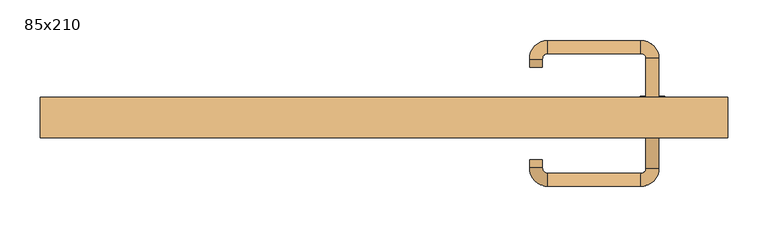
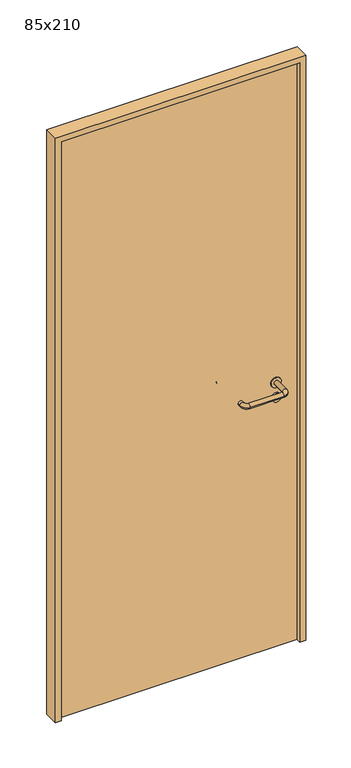
"""IFC4 building model written with IfcOpenShell, lengths in millimetres: door geometry, 85x210."""

from ifc_helpers import new_model, si_unit, point, frame, frame_2d, origin, origin_with_axes, place, context, project, spatial, polyline, circle_curve, ellipse_curve, trimmed, segment, composite_curve, outline, extrude, source, transform, mapped, element, save
from ifc_brep_helpers import plane_surface, cylinder_surface, revolved_surface, advanced_brep


def door_85x210_690344d6(model_context):
    return source(origin(), model_context, "Body", "SolidModel", [
        extrude(outline(composite_curve([segment(trimmed(circle_curve(frame_2d((897.3605726, 332.0)), 15.0), [point((897.3605726, 347.0))], [point((897.3605726, 317.0))], False, "CARTESIAN"), True, "CONTINUOUS"), segment(trimmed(circle_curve(frame_2d((897.3605726, 332.0)), 15.0), [point((897.3605726, 317.0))], [point((897.3605726, 347.0))], False, "CARTESIAN"), True, "CONTINUOUS")], self_intersect=False), holes=[composite_curve([segment(trimmed(circle_curve(frame_2d((892.5833211, 331.9398032)), 2.0), [point((892.5833211, 333.9398032))], [point((892.5833211, 329.9398032))], True, "CARTESIAN"), True, "CONTINUOUS"), segment(polyline([(892.5833211, 329.9398032), (902.5833211, 329.9398032)]), True, "CONTINUOUS"), segment(trimmed(circle_curve(frame_2d((902.5833211, 331.9398032)), 2.0), [point((902.5833211, 329.9398032))], [point((902.5833211, 333.9398032))], True, "CARTESIAN"), True, "CONTINUOUS"), segment(polyline([(902.5833211, 333.9398032), (892.5833211, 333.9398032)]), True, "CONTINUOUS")], self_intersect=False)]), frame((0.0, 8.65, 0.0), z_axis=(0.0, 1.0, 0.0), x_axis=(0.0, 0.0, 1.0)), (0.0, 0.0, 1.0), 6.35),
        extrude(outline(composite_curve([segment(trimmed(circle_curve(frame_2d((950.0, 332.0)), 17.526), [point((950.0, 349.526))], [point((950.0, 314.474))], False, "CARTESIAN"), True, "CONTINUOUS"), segment(trimmed(circle_curve(frame_2d((950.0, 332.0)), 17.526), [point((950.0, 314.474))], [point((950.0, 349.526))], False, "CARTESIAN"), True, "CONTINUOUS")], self_intersect=False)), frame((0.0, 11.825, 0.0), z_axis=(0.0, 1.0, 0.0), x_axis=(0.0, 0.0, 1.0)), (0.0, 0.0, 1.0), 3.175),
        advanced_brep(
        [(340.0, 15.0, 950.0), (324.0, 15.0, 950.0), (324.0, -38.0, 950.0), (340.0, -38.0, 950.0), (317.8578644, -44.1421356, 950.0), (317.8578644, -60.1421356, 950.0), (202.8578644, -44.1421356, 950.0), (202.8578644, -60.1421356, 950.0), (196.008622, -37.2928932, 950.0), (180.008622, -37.2928932, 950.0), (180.008622, -27.2928932, 950.0), (196.008622, -27.2928932, 950.0)],
        [
            (0, 1, circle_curve(frame((332.0, 15.0, 950.0), z_axis=(0.0, 1.0, 0.0), x_axis=(-1.0, 0.0, 0.0)), 8.0)),
            (1, 0, circle_curve(frame((332.0, 15.0, 950.0), z_axis=(0.0, 1.0, 0.0), x_axis=(-1.0, 0.0, 0.0)), 8.0)),
            (1, 2),
            (2, 3, circle_curve(frame((332.0, -38.0, 950.0), z_axis=(0.0, 1.0, 0.0), x_axis=(-1.0, 0.0, 0.0)), 8.0)),
            (3, 0),
            (3, 2, circle_curve(frame((332.0, -38.0, 950.0), z_axis=(0.0, 1.0, 0.0), x_axis=(-1.0, 0.0, 0.0)), 8.0)),
            (4, 5, circle_curve(frame((317.8578644, -52.1421356, 950.0), z_axis=(1.0, 0.0, 0.0), x_axis=(0.0, 1.0, 0.0)), 8.0)),
            (5, 3, circle_curve(frame((317.8578644, -38.0, 950.0), z_axis=(0.0, 0.0, 1.0), x_axis=(1.0, 0.0, 0.0)), 22.1421356)),
            (2, 4, circle_curve(frame((317.8578644, -38.0, 950.0), z_axis=(0.0, 0.0, -1.0), x_axis=(1.0, 0.0, 0.0)), 6.1421356)),
            (5, 4, circle_curve(frame((317.8578644, -52.1421356, 950.0), z_axis=(1.0, 0.0, 0.0), x_axis=(0.0, 1.0, 0.0)), 8.0)),
            (4, 6),
            (6, 7, circle_curve(frame((202.8578644, -52.1421356, 950.0), z_axis=(1.0, 0.0, 0.0), x_axis=(0.0, 1.0, 0.0)), 8.0)),
            (7, 5),
            (7, 6, circle_curve(frame((202.8578644, -52.1421356, 950.0), z_axis=(1.0, 0.0, 0.0), x_axis=(0.0, 1.0, 0.0)), 8.0)),
            (8, 9, circle_curve(frame((188.008622, -37.2928932, 950.0), z_axis=(0.0, -1.0, 0.0), x_axis=(1.0, 0.0, 0.0)), 8.0)),
            (9, 7, circle_curve(frame((202.8578644, -37.2928932, 950.0), z_axis=(0.0, 0.0, 1.0), x_axis=(0.0, -1.0, 0.0)), 22.8492424)),
            (6, 8, circle_curve(frame((202.8578644, -37.2928932, 950.0), z_axis=(0.0, 0.0, -1.0), x_axis=(0.0, -1.0, 0.0)), 6.8492424)),
            (9, 8, circle_curve(frame((188.008622, -37.2928932, 950.0), z_axis=(0.0, -1.0, 0.0), x_axis=(1.0, 0.0, 0.0)), 8.0)),
            (10, 11, circle_curve(frame((188.008622, -27.2928932, 950.0), z_axis=(0.0, 1.0, 0.0), x_axis=(1.0, 0.0, 0.0)), 8.0)),
            (11, 10, circle_curve(frame((188.008622, -27.2928932, 950.0), z_axis=(0.0, 1.0, 0.0), x_axis=(1.0, 0.0, 0.0)), 8.0)),
            (8, 11),
            (10, 9),
        ],
        [
            plane_surface(frame((332.0, 15.0, 0.0), z_axis=(0.0, 1.0, 0.0), x_axis=(0.0, 0.0, 1.0))),
            cylinder_surface(frame((332.0, 15.0, 950.0), z_axis=(0.0, 1.0, 0.0), x_axis=(-1.0, 0.0, 0.0)), 8.0),
            revolved_surface(trimmed(ellipse_curve(frame((332.0, -38.0, 950.0), z_axis=(0.0, -1.0, 0.0), x_axis=(-1.0, 0.0, 0.0)), 8.0, 8.0), [point((340.0, -38.0, 950.0))], [point((324.0, -38.0, 950.0))], True, "CARTESIAN"), (317.8578644, -38.0, 0.0), (0.0, 0.0, 1.0)),
            revolved_surface(trimmed(ellipse_curve(frame((332.0, -38.0, 950.0), z_axis=(0.0, -1.0, 0.0), x_axis=(-1.0, 0.0, 0.0)), 8.0, 8.0), [point((324.0, -38.0, 950.0))], [point((340.0, -38.0, 950.0))], True, "CARTESIAN"), (317.8578644, -38.0, 0.0), (0.0, 0.0, 1.0)),
            cylinder_surface(frame((317.8578644, -52.1421356, 950.0), z_axis=(1.0, 0.0, 0.0), x_axis=(0.0, 1.0, 0.0)), 8.0),
            revolved_surface(trimmed(ellipse_curve(frame((202.8578644, -52.1421356, 950.0), z_axis=(-1.0, 0.0, 0.0), x_axis=(0.0, 1.0, 0.0)), 8.0, 8.0), [point((202.8578644, -60.1421356, 950.0))], [point((202.8578644, -44.1421356, 950.0))], True, "CARTESIAN"), (202.8578644, -37.2928932, 0.0), (0.0, 0.0, 1.0)),
            revolved_surface(trimmed(ellipse_curve(frame((202.8578644, -52.1421356, 950.0), z_axis=(-1.0, 0.0, 0.0), x_axis=(0.0, 1.0, 0.0)), 8.0, 8.0), [point((202.8578644, -44.1421356, 950.0))], [point((202.8578644, -60.1421356, 950.0))], True, "CARTESIAN"), (202.8578644, -37.2928932, 0.0), (0.0, 0.0, 1.0)),
            plane_surface(frame((188.008622, -27.2928932, 0.0), z_axis=(0.0, 1.0, 0.0), x_axis=(0.0, 0.0, 1.0))),
            cylinder_surface(frame((188.008622, -37.2928932, 950.0), z_axis=(0.0, -1.0, 0.0), x_axis=(1.0, 0.0, 0.0)), 8.0),
        ],
        [
            (0, [[1, 2]]),
            (1, [[3, 4, 5, -2]]),
            (1, [[-5, 6, -3, -1]]),
            (2, [[7, 8, -4, 9]]),
            (3, [[10, -9, -6, -8]]),
            (4, [[11, 12, 13, -7]]),
            (4, [[-13, 14, -11, -10]]),
            (5, [[15, 16, -12, 17]]),
            (6, [[18, -17, -14, -16]]),
            (7, [[19, 20]]),
            (8, [[21, -19, 22, -15]]),
            (8, [[-22, -20, -21, -18]]),
        ],
    ),
        extrude(outline(composite_curve([segment(trimmed(circle_curve(frame_2d((0.0, -15.0)), 15.0), [point((0.0, -30.0))], [point((0.0, 0.0))], False, "CARTESIAN"), True, "CONTINUOUS"), segment(trimmed(circle_curve(frame_2d((0.0, -15.0)), 15.0), [point((0.0, 0.0))], [point((0.0, -30.0))], False, "CARTESIAN"), True, "CONTINUOUS")], self_intersect=False), holes=[composite_curve([segment(trimmed(circle_curve(frame_2d((4.7772515, -14.9398032)), 2.0), [point((4.7772515, -16.9398032))], [point((4.7772515, -12.9398032))], True, "CARTESIAN"), True, "CONTINUOUS"), segment(polyline([(4.7772515, -12.9398032), (-5.2227485, -12.9398032)]), True, "CONTINUOUS"), segment(trimmed(circle_curve(frame_2d((-5.2227485, -14.9398032)), 2.0), [point((-5.2227485, -12.9398032))], [point((-5.2227485, -16.9398032))], True, "CARTESIAN"), True, "CONTINUOUS"), segment(polyline([(-5.2227485, -16.9398032), (4.7772515, -16.9398032)]), True, "CONTINUOUS")], self_intersect=False)]), frame((317.0, 45.0, 897.3605726), z_axis=(1.8870575173328306e-12, 1.0, 0.0), x_axis=(0.0, 0.0, -1.0)), (0.0, 0.0, 1.0), 6.35),
        extrude(outline(composite_curve([segment(trimmed(circle_curve(frame_2d((0.0, -17.526)), 17.526), [point((0.0, -35.052))], [point((0.0, 0.0))], False, "CARTESIAN"), True, "CONTINUOUS"), segment(trimmed(circle_curve(frame_2d((0.0, -17.526)), 17.526), [point((0.0, 0.0))], [point((0.0, -35.052))], False, "CARTESIAN"), True, "CONTINUOUS")], self_intersect=False)), frame((314.474, 45.0, 950.0), z_axis=(1.8870575173328306e-12, 1.0, 0.0), x_axis=(0.0, 0.0, -1.0)), (0.0, 0.0, 1.0), 3.175),
        advanced_brep(
        [(340.0, 45.0, 950.0), (324.0, 45.0, 950.0), (340.0, 98.0, 950.0), (324.0, 98.0, 950.0), (317.8578644, 104.1421356, 950.0), (317.8578644, 120.1421356, 950.0), (202.8578644, 120.1421356, 950.0), (202.8578644, 104.1421356, 950.0), (196.008622, 97.2928932, 950.0), (180.008622, 97.2928932, 950.0), (180.008622, 87.2928932, 950.0), (196.008622, 87.2928932, 950.0)],
        [
            (0, 1, circle_curve(frame((332.0, 45.0, 950.0), z_axis=(-1.888672253512351e-12, -1.0, 0.0), x_axis=(-1.0, 1.888672253512351e-12, 0.0)), 8.0)),
            (1, 0, circle_curve(frame((332.0, 45.0, 950.0), z_axis=(-1.888672253512351e-12, -1.0, 0.0), x_axis=(-1.0, 1.888672253512351e-12, 0.0)), 8.0)),
            (0, 2),
            (2, 3, circle_curve(frame((332.0, 98.0, 950.0), z_axis=(-1.888672253512351e-12, -1.0, 0.0), x_axis=(-1.0, 1.888672253512351e-12, 0.0)), 8.0)),
            (3, 1),
            (3, 2, circle_curve(frame((332.0, 98.0, 950.0), z_axis=(-1.888672253512351e-12, -1.0, 0.0), x_axis=(-1.0, 1.888672253512351e-12, 0.0)), 8.0)),
            (4, 3, circle_curve(frame((317.8578644, 98.0, 950.0), z_axis=(0.0, 0.0, -1.0), x_axis=(1.0, -1.880717803715015e-12, 0.0)), 6.1421356)),
            (2, 5, circle_curve(frame((317.8578644, 98.0, 950.0), z_axis=(0.0, 0.0, 1.0), x_axis=(1.0, -1.880717803715015e-12, 0.0)), 22.1421356)),
            (5, 4, circle_curve(frame((317.8578644, 112.1421356, 950.0), z_axis=(1.0, -1.913702061528922e-12, 0.0), x_axis=(-1.913702061528922e-12, -1.0, 0.0)), 8.0)),
            (4, 5, circle_curve(frame((317.8578644, 112.1421356, 950.0), z_axis=(1.0, -1.913702061528922e-12, 0.0), x_axis=(-1.913702061528922e-12, -1.0, 0.0)), 8.0)),
            (5, 6),
            (6, 7, circle_curve(frame((202.8578644, 112.1421356, 950.0), z_axis=(1.0, -1.913719828541269e-12, 0.0), x_axis=(-1.913719828541269e-12, -1.0, 0.0)), 8.0)),
            (7, 4),
            (7, 6, circle_curve(frame((202.8578644, 112.1421356, 950.0), z_axis=(1.0, -1.913719828541269e-12, 0.0), x_axis=(-1.913719828541269e-12, -1.0, 0.0)), 8.0)),
            (8, 7, circle_curve(frame((202.8578644, 97.2928932, 950.0), z_axis=(0.0, 0.0, -1.0), x_axis=(1.9120873253494017e-12, 1.0, 0.0)), 6.8492424)),
            (6, 9, circle_curve(frame((202.8578644, 97.2928932, 950.0), z_axis=(0.0, 0.0, 1.0), x_axis=(1.9120873253494017e-12, 1.0, 0.0)), 22.8492424)),
            (9, 8, circle_curve(frame((188.008622, 97.2928932, 950.0), z_axis=(1.890448610351751e-12, 1.0, 0.0), x_axis=(1.0, -1.890448610351751e-12, 0.0)), 8.0)),
            (8, 9, circle_curve(frame((188.008622, 97.2928932, 950.0), z_axis=(1.8888942981172756e-12, 1.0, 0.0), x_axis=(1.0, -1.8888942981172756e-12, 0.0)), 8.0)),
            (10, 11, circle_curve(frame((188.008622, 87.2928932, 950.0), z_axis=(-1.8903642334018795e-12, -1.0, 0.0), x_axis=(1.0, -1.8903642334018795e-12, 0.0)), 8.0)),
            (11, 10, circle_curve(frame((188.008622, 87.2928932, 950.0), z_axis=(-1.8903642334018795e-12, -1.0, 0.0), x_axis=(1.0, -1.8903642334018795e-12, 0.0)), 8.0)),
            (9, 10),
            (11, 8),
        ],
        [
            plane_surface(frame((332.0, 45.0, 0.0), z_axis=(-1.8870575173328306e-12, -1.0, 0.0), x_axis=(0.0, 0.0, 1.0))),
            cylinder_surface(frame((332.0, 45.0, 950.0), z_axis=(-1.888672253512351e-12, -1.0, 0.0), x_axis=(-1.0, 1.888672253512351e-12, 0.0)), 8.0),
            revolved_surface(trimmed(ellipse_curve(frame((332.0, 98.0, 950.0), z_axis=(-1.8823325398945356e-12, -1.0, 0.0), x_axis=(-1.0, 1.8823325398945356e-12, 0.0)), 8.0, 8.0), [point((340.0, 98.0, 950.0))], [point((324.0, 98.0, 950.0))], True, "CARTESIAN"), (317.8578644, 98.0, 0.0), (0.0, 0.0, 1.0)),
            revolved_surface(trimmed(ellipse_curve(frame((332.0, 98.0, 950.0), z_axis=(-1.8823325398945356e-12, -1.0, 0.0), x_axis=(-1.0, 1.8823325398945356e-12, 0.0)), 8.0, 8.0), [point((324.0, 98.0, 950.0))], [point((340.0, 98.0, 950.0))], True, "CARTESIAN"), (317.8578644, 98.0, 0.0), (0.0, 0.0, 1.0)),
            cylinder_surface(frame((317.8578644, 112.1421356, 950.0), z_axis=(1.0, -1.913719828541269e-12, 0.0), x_axis=(-1.913719828541269e-12, -1.0, 0.0)), 8.0),
            revolved_surface(trimmed(ellipse_curve(frame((202.8578644, 112.1421356, 950.0), z_axis=(1.0, -1.913702061528922e-12, 0.0), x_axis=(-1.913702061528922e-12, -1.0, 0.0)), 8.0, 8.0), [point((202.8578644, 120.1421356, 950.0))], [point((202.8578644, 104.1421356, 950.0))], True, "CARTESIAN"), (202.8578644, 97.2928932, 0.0), (0.0, 0.0, 1.0)),
            revolved_surface(trimmed(ellipse_curve(frame((202.8578644, 112.1421356, 950.0), z_axis=(1.0, -1.913702061528922e-12, 0.0), x_axis=(-1.913702061528922e-12, -1.0, 0.0)), 8.0, 8.0), [point((202.8578644, 104.1421356, 950.0))], [point((202.8578644, 120.1421356, 950.0))], True, "CARTESIAN"), (202.8578644, 97.2928932, 0.0), (0.0, 0.0, 1.0)),
            plane_surface(frame((188.008622, 87.2928932, 0.0), z_axis=(-1.8887494972223595e-12, -1.0, 0.0), x_axis=(0.0, 0.0, 1.0))),
            cylinder_surface(frame((188.008622, 97.2928932, 950.0), z_axis=(1.8903642334018795e-12, 1.0, 0.0), x_axis=(1.0, -1.8903642334018795e-12, 0.0)), 8.0),
        ],
        [
            (0, [[1, 2]]),
            (1, [[-1, 3, 4, 5]]),
            (1, [[-2, -5, 6, -3]]),
            (2, [[7, -4, 8, 9]]),
            (3, [[-8, -6, -7, 10]]),
            (4, [[-9, 11, 12, 13]]),
            (4, [[-10, -13, 14, -11]]),
            (5, [[15, -12, 16, 17]]),
            (6, [[-16, -14, -15, 18]]),
            (7, [[19, 20]]),
            (8, [[-17, 21, -20, 22]]),
            (8, [[-18, -22, -19, -21]]),
        ],
    ),
        extrude(outline(polyline([(2080.0, 405.0), (0.0, 405.0), (0.0, 425.0), (2100.0, 425.0), (2100.0, -425.0), (0.0, -425.0), (0.0, -405.0), (2080.0, -405.0), (2080.0, 405.0)])), frame((0.0, 0.0, 0.0), z_axis=(0.0, 1.0, 0.0), x_axis=(0.0, 0.0, 1.0)), (0.0, 0.0, 1.0), 50.0),
        extrude(outline(polyline([(-405.0, 45.0), (405.0, 45.0), (405.0, 15.0), (-405.0, 15.0), (-405.0, 45.0)])), origin_with_axes(), (0.0, 0.0, 1.0), 2080.0),
    ])


if __name__ == "__main__":
    model = new_model("IFC4")
    model_context = context("Model", 3, world=origin())
    ifc_project = project(units=[si_unit("LENGTHUNIT", "METRE", prefix="MILLI")], contexts=[model_context])
    site = spatial("IfcSite", under=ifc_project)
    building = spatial("IfcBuilding", under=site)
    placement = place(None, origin())
    door_85x210_shape = door_85x210_690344d6(model_context)
    element("IfcDoor", 1, ObjectType="85x210", at=placement, inside=building, context=model_context, shape_type="MappedRepresentation", body=[
        mapped(door_85x210_shape, transform((0.0, 0.0, 0.0), x_axis=(1.0, 0.0, 0.0), y_axis=(0.0, 1.0, 0.0), z_axis=(0.0, 0.0, 1.0))),
    ])
    save(model, "model.ifc")
